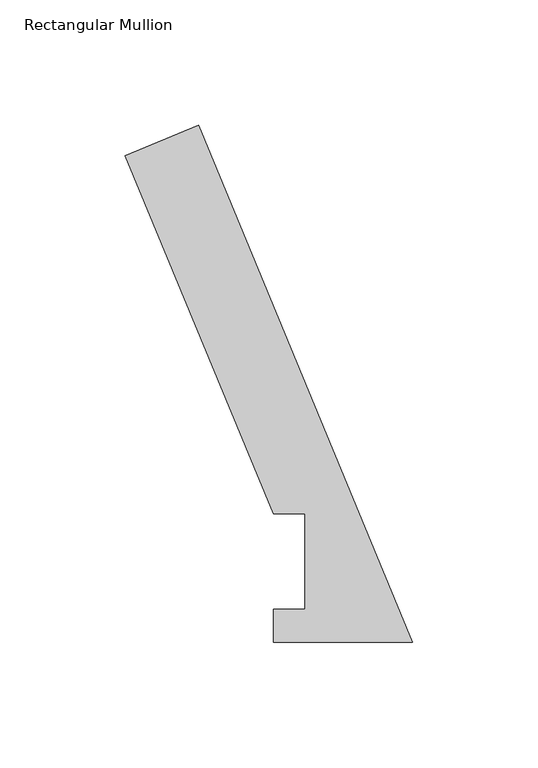
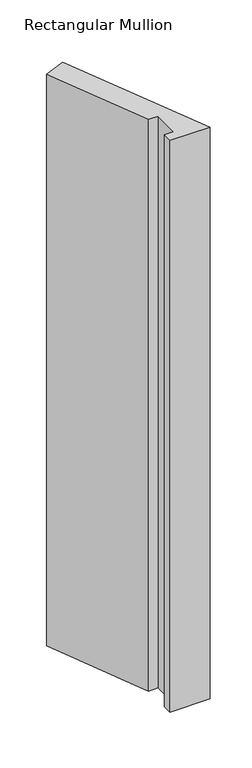
"""IFC4 building model written with IfcOpenShell, lengths in millimetres: member geometry, Rectangular Mullion."""

from ifc_helpers import new_model, si_unit, frame, origin, place, context, project, spatial, polyline, outline, extrude, source, transform, mapped, element, save


def rectangular_mullion_cbb3ab91(model_context):
    return source(origin(), model_context, "Body", "SweptSolid", [
        extrude(outline(polyline([(-55.5640922, 0.060298), (-55.5640922, 13.2332912), (-42.8885138, 13.2332912), (-42.8885138, 51.2960937), (-55.5885138, 51.2960938), (-114.8134437, 194.2777227), (-85.4802686, 206.4279217), (0.0, 0.060298), (-55.5640922, 0.060298)])), frame((0.0, 0.0, -838.1999996), z_axis=(0.0, 0.0, 1.0), x_axis=(1.0, 0.0, 0.0)), (0.0, 0.0, 1.0), 838.1999996),
    ])


if __name__ == "__main__":
    model = new_model("IFC4")
    model_context = context("Model", 3, world=origin())
    ifc_project = project(units=[si_unit("LENGTHUNIT", "METRE", prefix="MILLI")], contexts=[model_context])
    site = spatial("IfcSite", under=ifc_project)
    building = spatial("IfcBuilding", under=site)
    placement = place(None, origin())
    rectangular_mullion_shape = rectangular_mullion_cbb3ab91(model_context)
    element("IfcMember", 1, ObjectType="Rectangular Mullion", at=placement, inside=building, context=model_context, shape_type="MappedRepresentation", body=[
        mapped(rectangular_mullion_shape, transform((0.0, 0.0, 0.0), x_axis=(1.0, 0.0, 0.0), y_axis=(0.0, 1.0, 0.0), z_axis=(0.0, 0.0, 1.0))),
    ])
    save(model, "model.ifc")
